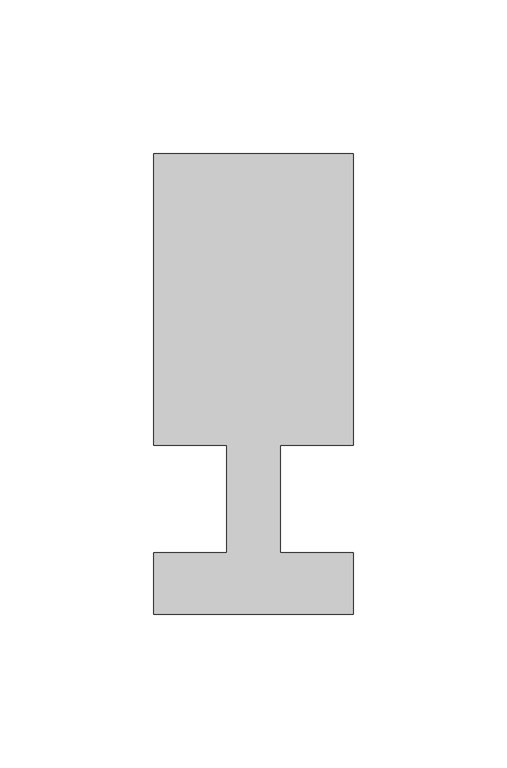
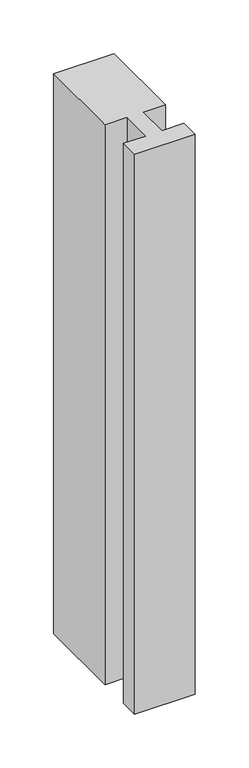
"""IFC4 building model written with IfcOpenShell, lengths in millimetres: member geometry."""

from ifc_helpers import new_model, si_unit, frame, origin, place, context, project, spatial, polyline, outline, extrude, source, transform, mapped, element, save


def member_1c3cba03(model_context):
    return source(origin(), model_context, "Body", "SweptSolid", [
        extrude(outline(polyline([(-32.5, -37.0), (-32.5, -17.0), (-8.6875, -17.0), (-8.6875, 18.0), (-32.5, 18.0), (-32.5, 113.0), (32.5, 113.0), (32.5, 18.0), (8.6875, 18.0), (8.6875, -17.0), (32.5, -17.0), (32.5, -37.0), (-32.5, -37.0)])), frame((0.0, 0.0, -634.7534171), z_axis=(0.0, 0.0, 1.0), x_axis=(1.0, 0.0, 0.0)), (0.0, 0.0, 1.0), 634.7534171),
    ])


if __name__ == "__main__":
    model = new_model("IFC4")
    model_context = context("Model", 3, world=origin())
    ifc_project = project(units=[si_unit("LENGTHUNIT", "METRE", prefix="MILLI")], contexts=[model_context])
    site = spatial("IfcSite", under=ifc_project)
    building = spatial("IfcBuilding", under=site)
    placement = place(None, origin())
    member_shape = member_1c3cba03(model_context)
    element("IfcMember", 1, at=placement, inside=building, context=model_context, shape_type="MappedRepresentation", body=[
        mapped(member_shape, transform((0.0, 0.0, 0.0), x_axis=(1.0, 0.0, 0.0), y_axis=(0.0, 1.0, 0.0), z_axis=(0.0, 0.0, 1.0))),
    ])
    save(model, "model.ifc")
